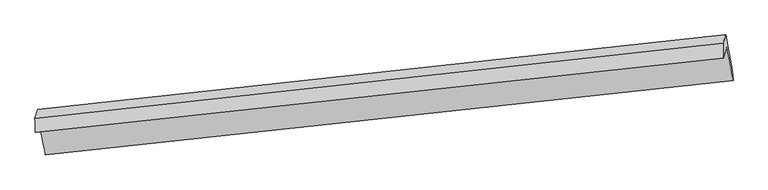
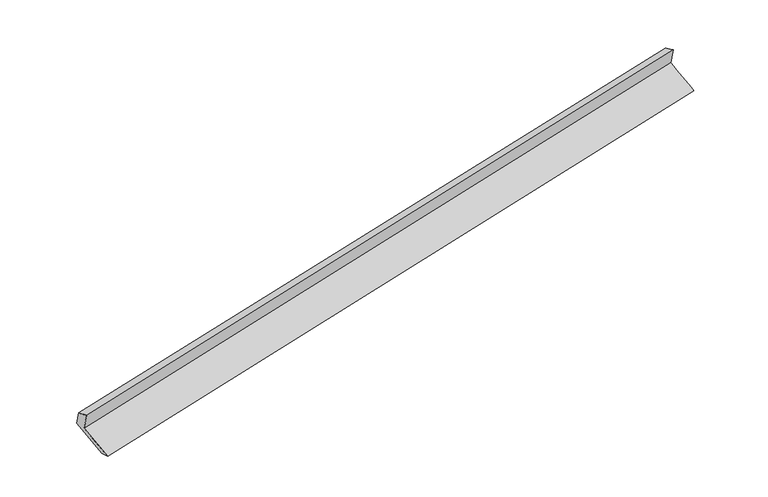
"""IFC4 building model written with IfcOpenShell, lengths in millimetres: proxy geometry."""

from ifc_helpers import new_model, si_unit, frame, origin, place, context, project, spatial, source, transform, mapped, element, save
from ifc_brep_helpers import plane_surface, spline_surface, advanced_brep


def generic_models_95b3f87e(model_context):
    return source(origin(), model_context, "Body", "AdvancedBrep", [
        advanced_brep(
        [(-9912.0732449, -1841.0650604, 460.7262645), (-9969.2422711, -2025.7069001, 843.853227), (4065.2763903, -488.8510881, 3647.0360268), (4117.6729082, -319.6232716, 3295.8927572), (-9767.023555, -2556.1427535, 137.7500102), (4257.6739369, -1035.2471536, 2971.8999303), (-9753.2809632, -2770.5899111, 187.6035185), (4270.3124316, -1249.813758, 3021.5311232), (-9890.2670064, -2095.2650361, 492.6247779), (4138.0943829, -573.9730579, 3327.5124417), (-9959.4009913, -2318.5507386, 955.9367396), (4070.0268198, -793.8144813, 3783.6776149)],
        [
            (0, 1),
            (1, 2),
            (2, 3),
            (3, 0),
            (4, 0),
            (3, 5),
            (5, 4),
            (6, 4),
            (5, 7),
            (7, 6),
            (8, 6),
            (7, 9),
            (9, 8),
            (10, 8),
            (9, 11),
            (11, 10),
            (1, 10),
            (11, 2),
        ],
        [
            plane_surface(frame((-9940.657758, -1933.3859802, 652.2897457), z_axis=(-0.17912122440328843, 0.8964607871276015, 0.40530685179358655), x_axis=(-0.13322270969989672, -0.4302764603158834, 0.8928123416027868))),
            spline_surface(1, 1, [[(-9767.023555, -2556.1427535, 137.7500102), (4257.6739369, -1035.2471536, 2971.8999303)], [(-9912.0732449, -1841.0650604, 460.7262645), (4117.6729082, -319.6232716, 3295.8927572)]], [2, 2], [2, 2], [0.0, 1.0], [0.0, 1.0]),
            spline_surface(1, 1, [[(-9753.2809632, -2770.5899111, 187.6035185), (4270.3124316, -1249.813758, 3021.5311232)], [(-9767.023555, -2556.1427535, 137.7500102), (4257.6739369, -1035.2471536, 2971.8999303)]], [2, 2], [2, 2], [0.0, 1.0], [0.0, 1.0]),
            spline_surface(1, 1, [[(-9890.2670064, -2095.2650361, 492.6247779), (4138.0943829, -573.9730579, 3327.5124417)], [(-9753.2809632, -2770.5899111, 187.6035185), (4270.3124316, -1249.813758, 3021.5311232)]], [2, 2], [2, 2], [0.0, 1.0], [0.0, 1.0]),
            plane_surface(frame((-9924.8339988, -2206.9078874, 724.2807587), z_axis=(0.1791212738446445, -0.8964607817549312, -0.4053068418267942), x_axis=(0.13322270969989897, 0.430276460315856, -0.8928123416027997))),
            spline_surface(1, 1, [[(-9969.2422711, -2025.7069001, 843.853227), (4065.2763903, -488.8510881, 3647.0360268)], [(-9959.4009913, -2318.5507386, 955.9367396), (4070.0268198, -793.8144813, 3783.6776149)]], [2, 2], [2, 2], [0.0, 1.0], [0.0, 1.0]),
            plane_surface(frame((4153.176145, -743.5538018, 3341.2583157), z_axis=(0.9754317021205772, 0.10255491513228927, 0.19497559816644416), x_axis=(0.1754557041491605, -0.8968526395569671, -0.40604265638134984))),
            plane_surface(frame((-9875.214672, -2267.8867333, 513.0824229), z_axis=(-0.9742723851417543, -0.10837365726923288, -0.19760685706798853), x_axis=(0.13322270969987657, 0.4302764603158841, -0.8928123416027894))),
        ],
        [
            (0, [[1, 2, 3, 4]]),
            (1, [[5, -4, 6, 7]]),
            (2, [[8, -7, 9, 10]]),
            (3, [[11, -10, 12, 13]]),
            (4, [[14, -13, 15, 16]]),
            (5, [[17, -16, 18, -2]]),
            (6, [[-12, -9, -6, -3, -18, -15]]),
            (7, [[-1, -5, -8, -11, -14, -17]]),
        ],
    ),
    ])


if __name__ == "__main__":
    model = new_model("IFC4")
    model_context = context("Model", 3, world=origin())
    ifc_project = project(units=[si_unit("LENGTHUNIT", "METRE", prefix="MILLI")], contexts=[model_context])
    site = spatial("IfcSite", under=ifc_project)
    building = spatial("IfcBuilding", under=site)
    placement = place(None, origin())
    generic_models_shape = generic_models_95b3f87e(model_context)
    element("IfcBuildingElementProxy", 1, Name="Generic Models", at=placement, inside=building, context=model_context, shape_type="MappedRepresentation", body=[
        mapped(generic_models_shape, transform((0.0, 0.0, 0.0), x_axis=(1.0, 0.0, 0.0), y_axis=(0.0, 1.0, 0.0), z_axis=(0.0, 0.0, 1.0))),
    ])
    save(model, "model.ifc")
